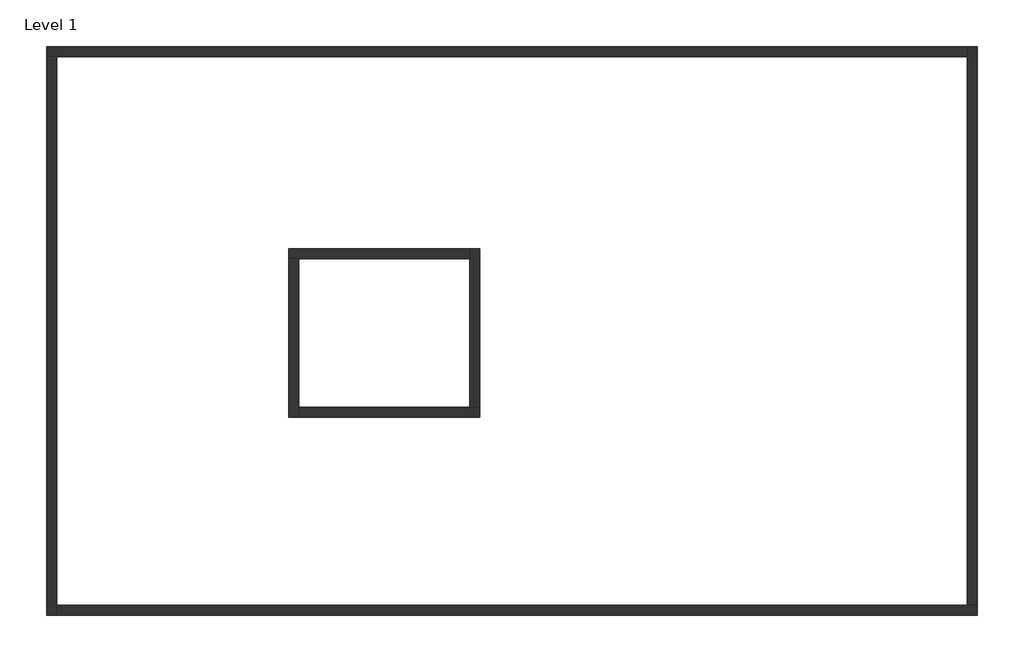
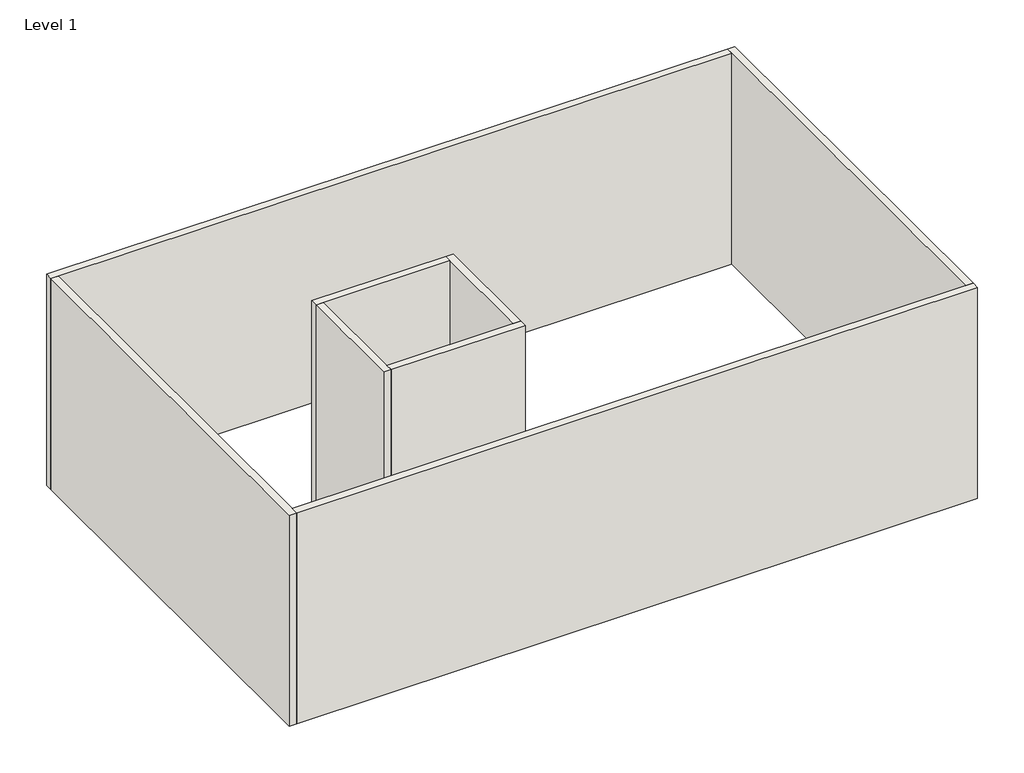
# One storey: 8 walls.
"""IFC4 building model written with IfcOpenShell, lengths in millimetres."""

import ifcopenshell
import ifcopenshell.guid

model = None  # the IFC model being written
_history = None  # IfcOwnerHistory: only IFC2X3 demands one
_inside = {}  # id of a spatial element -> (the spatial element, [elements in it])
_under = {}  # id of a project, library or spatial element -> (it, [spatial elements below it])
_declared = {}  # id of a project -> (the project, [libraries it declares])
_typed = {}  # id of a type object -> (the type object, [elements of that type])
_made_of = {}  # id of a material, layer set ... -> (it, [elements and type objects made of it])


def new_model(schema):
    """Start an empty IFC model of exactly this schema.

    Asked for "IFC4X3", IfcOpenShell would pick the latest addendum, in which some entities
    have other attributes; the version numbers below select the first issue.
    IFC2X3 requires an IfcOwnerHistory on every rooted entity: one is made here for all.
    """
    global model, _history
    if schema == "IFC4X3":
        model = ifcopenshell.file(schema_version=(4, 3, 0, 0))
    else:
        model = ifcopenshell.file(schema=schema)
    _inside.clear()
    _under.clear()
    _declared.clear()
    _typed.clear()
    _made_of.clear()
    _history = None
    if model.schema == "IFC2X3":
        org = make("IfcOrganization", Name="unknown")
        user = make(
            "IfcPersonAndOrganization",
            ThePerson=make("IfcPerson", FamilyName="unknown"),
            TheOrganization=org,
        )
        app = make(
            "IfcApplication",
            ApplicationDeveloper=org,
            Version="unknown",
            ApplicationFullName="unknown",
            ApplicationIdentifier="unknown",
        )
        _history = make(
            "IfcOwnerHistory",
            OwningUser=user,
            OwningApplication=app,
            ChangeAction="ADDED",
            CreationDate=0,
        )
    return model


def make(cls, **values):
    """One entity of the class cls with the attributes given. An attribute that is None is left unset."""
    return model.create_entity(
        cls, **{name: value for name, value in values.items() if value is not None}
    )


def rooted(cls, **values):
    """An entity with a GlobalId (a new one), such as an element, a storey or a relation."""
    return make(cls, GlobalId=ifcopenshell.guid.new(), OwnerHistory=_history, **values)


def si_unit(unit_type, name, prefix=None):
    """IfcSIUnit, for example si_unit("LENGTHUNIT", "METRE", prefix="MILLI")."""
    return make("IfcSIUnit", UnitType=unit_type, Prefix=prefix, Name=name)


def assignment(units):
    """IfcUnitAssignment: the units of a project."""
    return None if units is None else make("IfcUnitAssignment", Units=units)


def point(xyz):
    """IfcCartesianPoint."""
    return None if xyz is None else make("IfcCartesianPoint", Coordinates=xyz)


def direction(xyz):
    """IfcDirection."""
    return None if xyz is None else make("IfcDirection", DirectionRatios=xyz)


def frame(location, z_axis=None, x_axis=None):
    """IfcAxis2Placement3D, a coordinate frame: its origin and axes. An axis left out is left unset."""
    return make(
        "IfcAxis2Placement3D",
        Location=point(location),
        Axis=direction(z_axis),
        RefDirection=direction(x_axis),
    )


def origin():
    """The frame at (0, 0, 0) with its axes left unset."""
    return frame((0.0, 0.0, 0.0))


def place(relative_to, where):
    """IfcLocalPlacement: puts the frame where relative to a parent placement (None: the world)."""
    return make(
        "IfcLocalPlacement", PlacementRelTo=relative_to, RelativePlacement=where
    )


def context(
    kind, dimensions, precision=None, world=None, true_north=None, identifier=None
):
    """IfcGeometricRepresentationContext, for example the 3D "Model" context."""
    return make(
        "IfcGeometricRepresentationContext",
        ContextIdentifier=identifier,
        ContextType=kind,
        CoordinateSpaceDimension=dimensions,
        Precision=precision,
        WorldCoordinateSystem=world,
        TrueNorth=true_north,
    )


def project(units=None, contexts=None):
    """IfcProject with its units and contexts."""
    return rooted(
        "IfcProject",
        Name="project",
        RepresentationContexts=contexts,
        UnitsInContext=assignment(units),
    )


def spatial(cls, under=None, at=None, **own):
    """A site, building, storey or space (cls), placed at a placement, below another one or the project."""
    s = rooted(cls, ObjectPlacement=at, **own)
    if under is not None:
        _under.setdefault(under.id(), (under, []))[1].append(s)
    return s


def faces_of(points, faces, orient=None, outer=None):
    """IfcFace entities. A face is a list of loops; a loop is a list of indices into points, from 0.

    orient and outer hold one flag for each loop. By default every Orientation is true, the
    first loop of a face is its IfcFaceOuterBound and the others are IfcFaceBound.
    """
    made = []
    for i, loops in enumerate(faces):
        bounds = []
        for j, loop in enumerate(loops):
            is_outer = j == 0 if outer is None else outer[i][j]
            bounds.append(
                make(
                    "IfcFaceOuterBound" if is_outer else "IfcFaceBound",
                    Bound=make("IfcPolyLoop", Polygon=[points[k] for k in loop]),
                    Orientation=True if orient is None else orient[i][j],
                )
            )
        made.append(make("IfcFace", Bounds=bounds))
    return made


def faceted_brep(points, faces, orient=None, outer=None, voids=None):
    """IfcFacetedBrep: a solid bounded by flat faces; with voids (closed shells), ...WithVoids."""
    shared = [point(p) for p in points]
    hull = make("IfcClosedShell", CfsFaces=faces_of(shared, faces, orient, outer))
    if voids is None:
        return make("IfcFacetedBrep", Outer=hull)
    return make(
        "IfcFacetedBrepWithVoids",
        Outer=hull,
        Voids=[
            make(cls, CfsFaces=faces_of(shared, fs, o, b)) for cls, fs, o, b in voids
        ],
    )


def shape(context_of_items, identifier, shape_type, items):
    """IfcShapeRepresentation: the items that make up one representation, for example the "Body"."""
    return make(
        "IfcShapeRepresentation",
        ContextOfItems=context_of_items,
        RepresentationIdentifier=identifier,
        RepresentationType=shape_type,
        Items=items,
    )


def made_of(thing, what):
    """Note that an element or type object is made of a material, layer set ...; save() writes the relation."""
    if what is not None:
        _made_of.setdefault(what.id(), (what, []))[1].append(thing)
    return thing


def element(
    cls,
    number,
    at=None,
    inside=None,
    cuts=None,
    type_object=None,
    material=None,
    context=None,
    identifier="Body",
    shape_type=None,
    held_by="IfcProductDefinitionShape",
    body=None,
    shapes=None,
    **own,
):
    """One element of the class cls, such as IfcWall. Its Tag is "e" and its number.

    at: its placement. inside: the storey or other place that contains it. cuts: it is an
    opening in that element (IfcRelVoidsElement). A single representation is given by context,
    identifier, shape_type and body (its items); several are given by shapes. held_by: the class
    of the entity that holds the representations. save() writes the other relations.
    """
    e = rooted(cls, Tag="e%d" % number, ObjectPlacement=at, **own)
    if body is not None:
        shapes = [shape(context, identifier, shape_type, body)]
    if shapes is not None:
        e.Representation = make(held_by, Representations=shapes)
    if inside is not None:
        _inside.setdefault(inside.id(), (inside, []))[1].append(e)
    if cuts is not None:
        rooted(
            "IfcRelVoidsElement", RelatingBuildingElement=cuts, RelatedOpeningElement=e
        )
    if type_object is not None:
        _typed.setdefault(type_object.id(), (type_object, []))[1].append(e)
    return made_of(e, material)


def aggregate(whole, parts):
    """IfcRelAggregates: a whole, such as a stair, and the parts it consists of."""
    return rooted("IfcRelAggregates", RelatingObject=whole, RelatedObjects=parts)


def save(model, path):
    """Write the relations noted so far, then the file.

    IfcRelAggregates (storeys below a building ...), IfcRelContainedInSpatialStructure (elements
    in a storey), IfcRelDefinesByType, IfcRelAssociatesMaterial and IfcRelDeclares: one each for
    every whole, place, type object, material and project.
    """
    for whole, parts in _under.values():
        aggregate(whole, parts)
    for where, things in _inside.values():
        rooted(
            "IfcRelContainedInSpatialStructure",
            RelatedElements=things,
            RelatingStructure=where,
        )
    for kind, things in _typed.values():
        rooted("IfcRelDefinesByType", RelatedObjects=things, RelatingType=kind)
    for what, things in _made_of.values():
        rooted("IfcRelAssociatesMaterial", RelatedObjects=things, RelatingMaterial=what)
    for by, libraries in _declared.values():
        rooted("IfcRelDeclares", RelatingContext=by, RelatedDefinitions=libraries)
    model.write(path)


model = new_model("IFC4")

# Units and contexts
model_context = context("Model", 3, world=origin())
ifc_project = project(units=[si_unit("LENGTHUNIT", "METRE", prefix="MILLI")], contexts=[model_context])

# Site, building, storey
site = spatial("IfcSite", under=ifc_project)
building = spatial("IfcBuilding", under=site)
storey = spatial("IfcBuildingStorey", under=building, Name="Level 1", Elevation=0.0)

# Walls
placement = place(None, origin())
element("IfcWall", 1, ObjectType="Wall 1", at=placement, inside=storey, context=model_context, shape_type="Brep", body=[
    faceted_brep([(-3766.0338421, 5650.2298161, 0.0), (-3562.8338421, 5650.2298161, 0.0), (14826.7661579, 5650.2298161, 0.0), (14826.7661579, 5650.2298161, 6096.0), (-3562.8338421, 5650.2298161, 6096.0), (-3766.0338421, 5650.2298161, 6096.0), (-3766.0338421, 5853.4298161, 0.0), (-3766.0338421, 5853.4298161, 6096.0), (14826.7661579, 5853.4298161, 6096.0), (14826.7661579, 5853.4298161, 0.0)], [[[0, 1, 2, 3, 4, 5]], [[6, 7, 8, 9]], [[2, 1, 0, 6, 9]], [[5, 4, 3, 8, 7]], [[0, 5, 7, 6]], [[3, 2, 9, 8]]]),
])
element("IfcWall", 2, ObjectType="Wall 1", at=placement, inside=storey, context=model_context, shape_type="Brep", body=[
    faceted_brep([(-3562.8338421, -5627.3701839, 0.0), (-3562.8338421, -5424.1701839, 0.0), (-3562.8338421, 5650.2298161, 0.0), (-3562.8338421, 5650.2298161, 6096.0), (-3562.8338421, -5424.1701839, 6096.0), (-3562.8338421, -5627.3701839, 6096.0), (-3766.0338421, -5627.3701839, 0.0), (-3766.0338421, -5627.3701839, 6096.0), (-3766.0338421, 5650.2298161, 6096.0), (-3766.0338421, 5650.2298161, 0.0)], [[[0, 1, 2, 3, 4, 5]], [[6, 7, 8, 9]], [[2, 1, 0, 6, 9]], [[5, 4, 3, 8, 7]], [[0, 5, 7, 6]], [[3, 2, 9, 8]]]),
])
element("IfcWall", 3, ObjectType="Wall 1", at=placement, inside=storey, context=model_context, shape_type="Brep", body=[
    faceted_brep([(15029.9661579, -5424.1701839, 0.0), (14826.7661579, -5424.1701839, 0.0), (-3562.8338421, -5424.1701839, 0.0), (-3562.8338421, -5424.1701839, 6096.0), (14826.7661579, -5424.1701839, 6096.0), (15029.9661579, -5424.1701839, 6096.0), (15029.9661579, -5627.3701839, 0.0), (15029.9661579, -5627.3701839, 6096.0), (-3562.8338421, -5627.3701839, 6096.0), (-3562.8338421, -5627.3701839, 0.0)], [[[0, 1, 2, 3, 4, 5]], [[6, 7, 8, 9]], [[2, 1, 0, 6, 9]], [[5, 4, 3, 8, 7]], [[0, 5, 7, 6]], [[3, 2, 9, 8]]]),
])
element("IfcWall", 4, ObjectType="Wall 1", at=placement, inside=storey, context=model_context, shape_type="Brep", body=[
    faceted_brep([(14826.7661579, 5853.4298161, 0.0), (14826.7661579, 5650.2298161, 0.0), (14826.7661579, -5424.1701839, 0.0), (14826.7661579, -5424.1701839, 6096.0), (14826.7661579, 5650.2298161, 6096.0), (14826.7661579, 5853.4298161, 6096.0), (15029.9661579, 5853.4298161, 0.0), (15029.9661579, 5853.4298161, 6096.0), (15029.9661579, -5424.1701839, 6096.0), (15029.9661579, -5424.1701839, 0.0)], [[[0, 1, 2, 3, 4, 5]], [[6, 7, 8, 9]], [[2, 1, 0, 6, 9]], [[5, 4, 3, 8, 7]], [[0, 5, 7, 6]], [[3, 2, 9, 8]]]),
])
element("IfcWall", 5, ObjectType="Wall 1", at=placement, inside=storey, context=model_context, shape_type="Brep", body=[
    faceted_brep([(1120.3566339, 1568.8768516, 0.0), (1323.5566339, 1568.8768516, 0.0), (4777.9566339, 1568.8768516, 0.0), (4777.9566339, 1568.8768516, 6096.0), (1323.5566339, 1568.8768516, 6096.0), (1120.3566339, 1568.8768516, 6096.0), (1120.3566339, 1772.0768516, 0.0), (1120.3566339, 1772.0768516, 6096.0), (4777.9566339, 1772.0768516, 6096.0), (4777.9566339, 1772.0768516, 0.0)], [[[0, 1, 2, 3, 4, 5]], [[6, 7, 8, 9]], [[2, 1, 0, 6, 9]], [[5, 4, 3, 8, 7]], [[0, 5, 7, 6]], [[3, 2, 9, 8]]]),
])
element("IfcWall", 6, ObjectType="Wall 1", at=placement, inside=storey, context=model_context, shape_type="Brep", body=[
    faceted_brep([(1323.5566339, -1631.5231484, 0.0), (1323.5566339, -1428.3231484, 0.0), (1323.5566339, 1568.8768516, 0.0), (1323.5566339, 1568.8768516, 6096.0), (1323.5566339, -1428.3231484, 6096.0), (1323.5566339, -1631.5231484, 6096.0), (1120.3566339, -1631.5231484, 0.0), (1120.3566339, -1631.5231484, 6096.0), (1120.3566339, 1568.8768516, 6096.0), (1120.3566339, 1568.8768516, 0.0)], [[[0, 1, 2, 3, 4, 5]], [[6, 7, 8, 9]], [[2, 1, 0, 6, 9]], [[5, 4, 3, 8, 7]], [[0, 5, 7, 6]], [[3, 2, 9, 8]]]),
])
element("IfcWall", 7, ObjectType="Wall 1", at=placement, inside=storey, context=model_context, shape_type="Brep", body=[
    faceted_brep([(4981.1566339, -1428.3231484, 0.0), (4777.9566339, -1428.3231484, 0.0), (1323.5566339, -1428.3231484, 0.0), (1323.5566339, -1428.3231484, 6096.0), (4777.9566339, -1428.3231484, 6096.0), (4981.1566339, -1428.3231484, 6096.0), (4981.1566339, -1631.5231484, 0.0), (4981.1566339, -1631.5231484, 6096.0), (1323.5566339, -1631.5231484, 6096.0), (1323.5566339, -1631.5231484, 0.0)], [[[0, 1, 2, 3, 4, 5]], [[6, 7, 8, 9]], [[2, 1, 0, 6, 9]], [[5, 4, 3, 8, 7]], [[0, 5, 7, 6]], [[3, 2, 9, 8]]]),
])
element("IfcWall", 8, ObjectType="Wall 1", at=placement, inside=storey, context=model_context, shape_type="Brep", body=[
    faceted_brep([(4777.9566339, 1772.0768516, 0.0), (4777.9566339, 1568.8768516, 0.0), (4777.9566339, -1428.3231484, 0.0), (4777.9566339, -1428.3231484, 6096.0), (4777.9566339, 1568.8768516, 6096.0), (4777.9566339, 1772.0768516, 6096.0), (4981.1566339, 1772.0768516, 0.0), (4981.1566339, 1772.0768516, 6096.0), (4981.1566339, -1428.3231484, 6096.0), (4981.1566339, -1428.3231484, 0.0)], [[[0, 1, 2, 3, 4, 5]], [[6, 7, 8, 9]], [[2, 1, 0, 6, 9]], [[5, 4, 3, 8, 7]], [[0, 5, 7, 6]], [[3, 2, 9, 8]]]),
])

save(model, "model.ifc")
